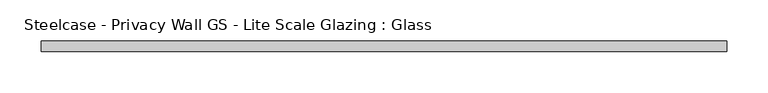
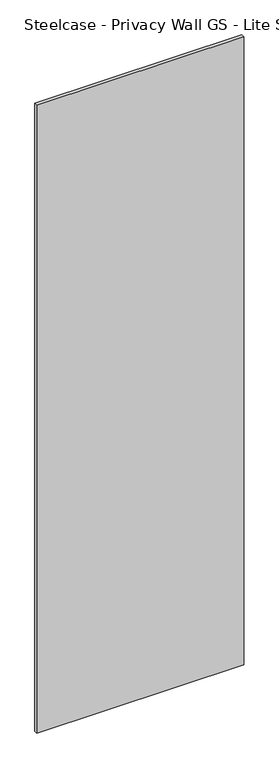
"""IFC4 building model written with IfcOpenShell, lengths in millimetres: plate geometry, Steelcase - Privacy Wall GS - Lite Scale Glazing : Glass."""

from ifc_helpers import new_model, si_unit, origin, origin_with_axes, place, context, project, spatial, polyline, outline, extrude, source, transform, mapped, element, save


def steelcase_privacy_wall_gs_lite_scale_glazing_glass_207b138c(model_context):
    return source(origin(), model_context, "Body", "SweptSolid", [
        extrude(outline(polyline([(-415.640027, -6.349956), (-415.640027, 6.3502015), (415.640027, 6.3502015), (415.640027, -6.349956), (-415.640027, -6.349956)])), origin_with_axes(), (0.0, 0.0, 1.0), 2665.984),
    ])


if __name__ == "__main__":
    model = new_model("IFC4")
    model_context = context("Model", 3, world=origin())
    ifc_project = project(units=[si_unit("LENGTHUNIT", "METRE", prefix="MILLI")], contexts=[model_context])
    site = spatial("IfcSite", under=ifc_project)
    building = spatial("IfcBuilding", under=site)
    placement = place(None, origin())
    steelcase_privacy_wall_gs_lite_scale_glazing_glass_shape = steelcase_privacy_wall_gs_lite_scale_glazing_glass_207b138c(model_context)
    element("IfcPlate", 1, ObjectType="Steelcase - Privacy Wall GS - Lite Scale Glazing : Glass", at=placement, inside=building, context=model_context, shape_type="MappedRepresentation", body=[
        mapped(steelcase_privacy_wall_gs_lite_scale_glazing_glass_shape, transform((0.0, 0.0, 0.0), x_axis=(1.0, 0.0, 0.0), y_axis=(0.0, 1.0, 0.0), z_axis=(0.0, 0.0, 1.0))),
    ])
    save(model, "model.ifc")
